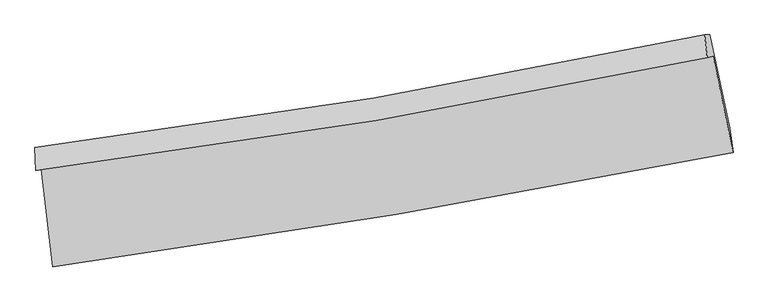
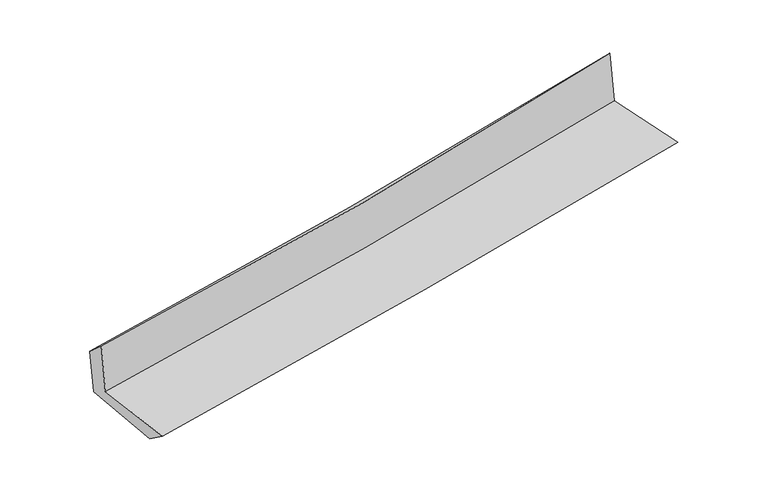
"""IFC4 building model written with IfcOpenShell, lengths in millimetres: proxy geometry."""

from ifc_helpers import new_model, si_unit, frame, origin, place, context, project, spatial, source, transform, mapped, element, save
from ifc_brep_helpers import plane_surface, spline_curve, spline_surface, advanced_brep


def generic_models_4602371f(model_context):
    return source(origin(), model_context, "Body", "AdvancedBrep", [
        advanced_brep(
        [(-2327.7803428, -1876.8902724, 1671.317621), (-2248.9121784, -2544.2797619, 1662.201825), (2399.8005366, -1761.2522616, 2094.2711037), (2262.6599944, -1103.6058079, 2097.8635551), (-2364.8043829, -1885.6363688, 2077.9760638), (2223.261467, -1112.9048009, 2529.40317), (-2370.5922733, -1729.9886513, 1945.3668979), (2206.2891316, -957.5612837, 2369.2386765), (-2336.8184674, -1730.3105336, 1584.7784371), (2240.8911094, -957.7542634, 2008.3920714), (-2256.9292426, -2382.7525393, 1546.0730331), (2376.5719387, -1594.8486869, 1975.4062088)],
        [
            (0, 1),
            (1, 2, spline_curve(3, [(-2248.9121784, -2544.2797619, 1662.201825), (-1465.028104218, -2436.474580891, 1740.780186997), (-682.470737251, -2316.675751653, 1816.350784973), (867.056601762, -2055.272741029, 1960.275109668), (1634.070139896, -1914.062403357, 2028.727604486), (2399.8005366, -1761.2522616, 2094.2711037)], [4, 2, 4], [0.0, 7.782982278006191, 15.437110243743994])),
            (2, 3),
            (3, 0, spline_curve(3, [(2262.6599944, -1103.6058079, 2097.8635551), (1509.132403224, -1263.929380718, 2033.243794575), (753.046499615, -1408.129369488, 1965.70965104), (-777.013418189, -1666.438295922, 1823.626624203), (-1551.074293434, -1779.999795267, 1748.978789667), (-2327.7803428, -1876.8902724, 1671.317621)], [4, 2, 4], [0.0, 7.654127965737803, 15.437110243743994])),
            (4, 0),
            (3, 5),
            (5, 4, spline_curve(3, [(2223.261467, -1112.9048009, 2529.40317), (1471.485695008, -1272.815468349, 2445.791713795), (716.477596255, -1416.761972607, 2366.64349848), (-812.767940955, -1674.88118727, 2216.016257794), (-1587.115125698, -1788.511872582, 2144.688770752), (-2364.8043829, -1885.6363688, 2077.9760638)], [4, 2, 4], [0.0, 7.6062461508079195, 15.340540541871768])),
            (6, 4),
            (5, 7),
            (7, 6, spline_curve(3, [(2206.2891316, -957.5612837, 2369.2386765), (1455.24618331, -1117.897494091, 2305.682153446), (701.524097608, -1262.033617175, 2238.903207892), (-824.01207365, -1520.059441971, 2097.722024685), (-1595.9171229, -1633.399108331, 2023.210377494), (-2370.5922733, -1729.9886513, 1945.3668979)], [4, 2, 4], [0.0, 7.595112877514812, 15.31808657089444])),
            (8, 6),
            (7, 9),
            (9, 8, spline_curve(3, [(2240.8911094, -957.7542634, 2008.3920714), (1490.308382286, -1118.124835693, 1938.426316725), (736.750460804, -1262.288846153, 1868.437160284), (-789.051715805, -1520.357858482, 1727.233410125), (-1561.396986673, -1633.712604615, 1656.018021564), (-2336.8184674, -1730.3105336, 1584.7784371)], [4, 2, 4], [0.0, 7.584773543322559, 15.297233843779452])),
            (10, 8),
            (9, 11),
            (11, 10, spline_curve(3, [(2376.5719387, -1594.8486869, 1975.4062088), (1616.210701241, -1760.376593544, 1904.285787008), (853.150705243, -1908.398498605, 1833.245773331), (-691.258058333, -2171.627491238, 1690.131984896), (-1472.698456376, -2286.240203433, 1618.060939853), (-2256.9292426, -2382.7525393, 1546.0730331)], [4, 2, 4], [0.0, 7.63261791278322, 15.393728024333104])),
            (1, 10),
            (11, 2),
        ],
        [
            spline_surface(3, 3, [[(-2327.7803428, -1876.8902724, 1671.317621), (-1551.074293419, -1779.999795307, 1748.978789577), (-777.013418081, -1666.438295907, 1823.626624104), (753.046499509, -1408.129369503, 1965.709651139), (1509.132403264, -1263.929380773, 2033.243794655), (2262.6599944, -1103.6058079, 2097.8635551)], [(-2301.490954663, -2099.353435556, 1668.27902233), (-1522.392230328, -1998.824723795, 1746.245922018), (-745.499191107, -1883.184114496, 1821.201344368), (791.049866933, -1623.843826656, 1963.898137338), (1550.778315446, -1480.640388301, 2031.738397996), (2308.373508456, -1322.821292481, 2096.666071324)], [(-2275.201566537, -2321.816598744, 1665.24042367), (-1493.710167246, -2217.649652315, 1743.51305447), (-713.984964189, -2099.929933108, 1818.776064635), (829.053234301, -1839.558283832, 1962.08662354), (1592.424227659, -1697.351395784, 2030.233001265), (2354.087022544, -1542.036777019, 2095.468587476)], [(-2248.9121784, -2544.2797619, 1662.201825), (-1465.028104155, -2436.474580803, 1740.780186911), (-682.470737215, -2316.675751697, 1816.3507849), (867.056601726, -2055.272740985, 1960.27510974), (1634.070139841, -1914.062403311, 2028.727604606), (2399.8005366, -1761.2522616, 2094.2711037)]], [4, 4], [4, 2, 4], [0.0, 2.155674976707723], [0.0, 7.782982278006191, 15.437110243743994]),
            spline_surface(3, 3, [[(-2364.8043829, -1885.6363688, 2077.9760638), (-1587.115125697, -1788.511872559, 2144.68877075), (-812.767940998, -1674.881187312, 2216.016257699), (716.477596298, -1416.761972565, 2366.643498573), (1471.485694884, -1272.81546847, 2445.791713701), (2223.261467, -1112.9048009, 2529.40317)], [(-2352.463036194, -1882.721003354, 1942.423249529), (-1575.101514932, -1785.674513496, 2012.785443688), (-800.849766706, -1672.066890174, 2085.219713174), (728.667230687, -1413.884438208, 2232.998882768), (1484.034597662, -1269.853439219, 2308.275740682), (2236.394309451, -1109.805136548, 2385.556631696)], [(-2340.121689506, -1879.805637846, 1806.870435271), (-1563.087904184, -1782.83715437, 1880.882116639), (-788.931592373, -1669.252593045, 1954.423168629), (740.856865119, -1411.00690386, 2099.354266943), (1496.583500486, -1266.891410024, 2170.759767674), (2249.527151949, -1106.705472252, 2241.710093404)], [(-2327.7803428, -1876.8902724, 1671.317621), (-1551.074293419, -1779.999795307, 1748.978789577), (-777.013418081, -1666.438295907, 1823.626624104), (753.046499509, -1408.129369503, 1965.709651139), (1509.132403264, -1263.929380773, 2033.243794655), (2262.6599944, -1103.6058079, 2097.8635551)]], [4, 4], [4, 2, 4], [0.0, 1.3068506639132986], [0.0, 7.734294391063848, 15.340540541871768]),
            spline_surface(3, 3, [[(-2370.5922733, -1729.9886513, 1945.3668979), (-1595.917122864, -1633.399108303, 2023.210377545), (-824.012073608, -1520.059442031, 2097.722024735), (701.524097568, -1262.033617117, 2238.903207842), (1455.246183293, -1117.897494194, 2305.682153531), (2206.2891316, -957.5612837, 2369.2386765)], [(-2368.662976501, -1781.871223796, 1989.56995319), (-1592.983123809, -1685.103363051, 2063.70317527), (-820.264029394, -1571.666690458, 2137.153435717), (706.508597155, -1313.6097356, 2281.483304746), (1460.659353837, -1169.536818971, 2352.385340245), (2211.946576747, -1009.342456119, 2422.62684099)], [(-2366.733679699, -1833.753796304, 2033.77300851), (-1590.049124752, -1736.807617812, 2104.195973025), (-816.515985213, -1623.273938885, 2176.584846718), (711.49309671, -1365.185854083, 2324.063401669), (1466.07252434, -1221.176143692, 2399.088526987), (2217.604021853, -1061.123628481, 2476.01500551)], [(-2364.8043829, -1885.6363688, 2077.9760638), (-1587.115125697, -1788.511872559, 2144.68877075), (-812.767940998, -1674.881187312, 2216.016257699), (716.477596298, -1416.761972565, 2366.643498573), (1471.485694884, -1272.81546847, 2445.791713701), (2223.261467, -1112.9048009, 2529.40317)]], [4, 4], [4, 2, 4], [0.0, 0.6499094107940994], [0.0, 7.722973693379628, 15.31808657089444]),
            spline_surface(3, 3, [[(-2336.8184674, -1730.3105336, 1584.7784371), (-1561.396986663, -1633.712604675, 1656.01802162), (-789.051715787, -1520.357858439, 1727.233410091), (736.750460786, -1262.288846195, 1868.437160318), (1490.308382177, -1118.124835666, 1938.426316607), (2240.8911094, -957.7542634, 2008.3920714)], [(-2348.076402708, -1730.203239504, 1704.974590706), (-1572.903698739, -1633.608105889, 1778.415473601), (-800.705168392, -1520.258386293, 1850.729614968), (725.008339716, -1262.203769825, 1991.925842822), (1478.620982535, -1118.049055162, 2060.844928911), (2229.357116786, -957.68993682, 2128.674273096)], [(-2359.334337992, -1730.095945396, 1825.170744294), (-1584.410410789, -1633.503607089, 1900.812925564), (-812.358621003, -1520.158914177, 1974.225819857), (713.266218638, -1262.118693487, 2115.414525338), (1466.933582935, -1117.973274697, 2183.263541226), (2217.823124214, -957.62561028, 2248.956474804)], [(-2370.5922733, -1729.9886513, 1945.3668979), (-1595.917122864, -1633.399108303, 2023.210377545), (-824.012073608, -1520.059442031, 2097.722024735), (701.524097568, -1262.033617117, 2238.903207842), (1455.246183293, -1117.897494194, 2305.682153531), (2206.2891316, -957.5612837, 2369.2386765)]], [4, 4], [4, 2, 4], [0.0, 1.2209157550143712], [0.0, 7.712460300456893, 15.297233843779452]),
            spline_surface(3, 3, [[(-2256.9292426, -2382.7525393, 1546.0730331), (-1472.698456339, -2286.240203462, 1618.060939818), (-691.258058443, -2171.627491126, 1690.131984782), (853.150705351, -1908.398498715, 1833.245773442), (1616.210701231, -1760.376593598, 1904.285786998), (2376.5719387, -1594.8486869, 1975.4062088)], [(-2283.558984188, -2165.271870712, 1558.974834453), (-1502.264633102, -2068.731003845, 1630.713300438), (-723.855944236, -1954.537613559, 1702.499126568), (814.350623818, -1693.028614537, 1844.97623575), (1574.243261563, -1546.292674289, 1915.665963534), (2331.344995616, -1382.483879068, 1986.401496333)], [(-2310.188725812, -1947.791202188, 1571.876635747), (-1531.830809901, -1851.221804292, 1643.365661), (-756.453829994, -1737.447736006, 1714.866268305), (775.550542319, -1477.658730373, 1856.70669801), (1532.275821846, -1332.208754975, 1927.046140071), (2286.118052484, -1170.119071232, 1997.396783867)], [(-2336.8184674, -1730.3105336, 1584.7784371), (-1561.396986663, -1633.712604675, 1656.01802162), (-789.051715787, -1520.357858439, 1727.233410091), (736.750460786, -1262.288846195, 1868.437160318), (1490.308382177, -1118.124835666, 1938.426316607), (2240.8911094, -957.7542634, 2008.3920714)]], [4, 4], [4, 2, 4], [0.0, 2.1603726992890198], [0.0, 7.7611101115498835, 15.393728024333104]),
            spline_surface(3, 3, [[(-2248.9121784, -2544.2797619, 1662.201825), (-1465.028104155, -2436.474580803, 1740.780186911), (-682.470737215, -2316.675751697, 1816.3507849), (867.056601726, -2055.272740985, 1960.27510974), (1634.070139841, -1914.062403311, 2028.727604606), (2399.8005366, -1761.2522616, 2094.2711037)], [(-2251.584533146, -2490.437354377, 1623.492227693), (-1467.584888229, -2386.396455033, 1699.873771206), (-685.399844298, -2268.326331532, 1774.277851515), (862.421302928, -2006.314660254, 1917.931997629), (1628.116993648, -1862.83380007, 1987.24699873), (2392.057670644, -1705.784403363, 2054.64947206)], [(-2254.256887854, -2436.594946823, 1584.782630407), (-1470.141672266, -2336.318329232, 1658.967355523), (-688.32895136, -2219.976911291, 1732.204918167), (857.78600415, -1957.356579447, 1875.588885553), (1622.163847424, -1811.605196839, 1945.766392874), (2384.314804656, -1650.316545137, 2015.02784044)], [(-2256.9292426, -2382.7525393, 1546.0730331), (-1472.698456339, -2286.240203462, 1618.060939818), (-691.258058443, -2171.627491126, 1690.131984782), (853.150705351, -1908.398498715, 1833.245773442), (1616.210701231, -1760.376593598, 1904.285786998), (2376.5719387, -1594.8486869, 1975.4062088)]], [4, 4], [4, 2, 4], [0.0, 0.6349944139630785], [0.0, 7.820261527905941, 15.51105155183778]),
            plane_surface(frame((2284.912363, -1247.9878507, 2179.0957976), z_axis=(0.9747674137267381, 0.2027605083457816, 0.09336308366718822), x_axis=(-0.09545323929691937, 0.0005323551531506365, 0.9954337726366913))),
            plane_surface(frame((-2317.6394812, -2024.9763546, 1747.952313), z_axis=(-0.9889760335706272, -0.1156075511255686, -0.0925272886539894), x_axis=(-0.11734670825908994, 0.9929983828294551, 0.013563250305260816))),
        ],
        [
            (0, [[1, 2, 3, 4]]),
            (1, [[5, -4, 6, 7]]),
            (2, [[8, -7, 9, 10]]),
            (3, [[11, -10, 12, 13]]),
            (4, [[14, -13, 15, 16]]),
            (5, [[17, -16, 18, -2]]),
            (6, [[-12, -9, -6, -3, -18, -15]]),
            (7, [[-1, -5, -8, -11, -14, -17]]),
        ],
    ),
    ])


if __name__ == "__main__":
    model = new_model("IFC4")
    model_context = context("Model", 3, world=origin())
    ifc_project = project(units=[si_unit("LENGTHUNIT", "METRE", prefix="MILLI")], contexts=[model_context])
    site = spatial("IfcSite", under=ifc_project)
    building = spatial("IfcBuilding", under=site)
    placement = place(None, origin())
    generic_models_shape = generic_models_4602371f(model_context)
    element("IfcBuildingElementProxy", 1, Name="Generic Models", at=placement, inside=building, context=model_context, shape_type="MappedRepresentation", body=[
        mapped(generic_models_shape, transform((0.0, 0.0, 0.0), x_axis=(1.0, 0.0, 0.0), y_axis=(0.0, 1.0, 0.0), z_axis=(0.0, 0.0, 1.0))),
    ])
    save(model, "model.ifc")
